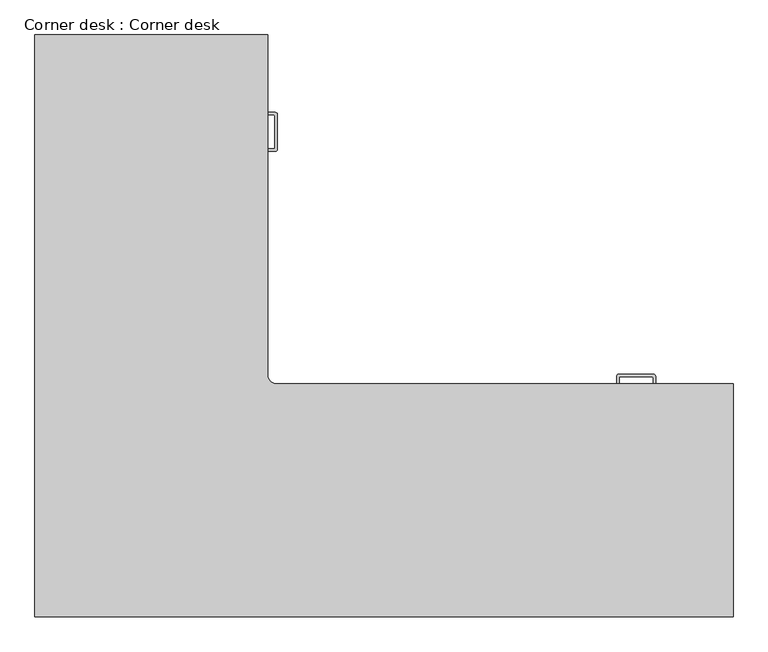
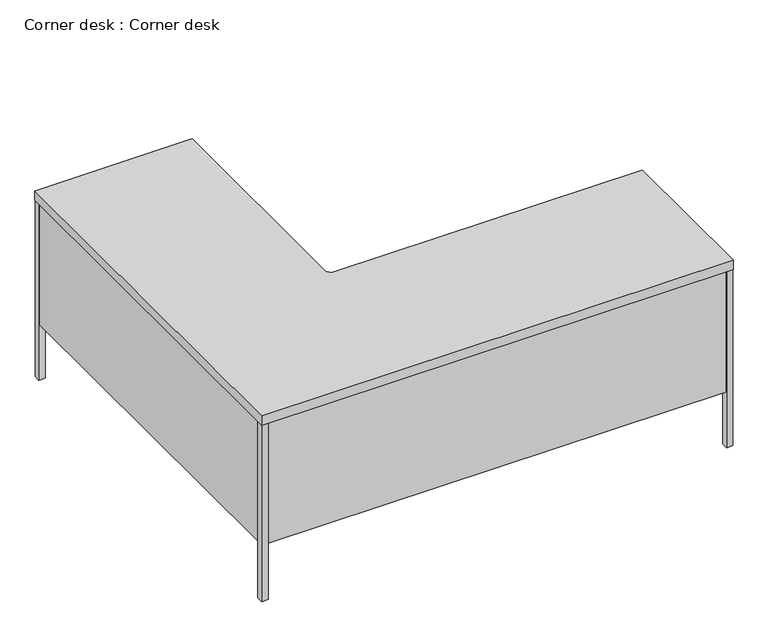
"""IFC4 building model written with IfcOpenShell, lengths in millimetres: furniture geometry, Corner desk : Corner desk."""

from ifc_helpers import new_model, si_unit, frame, origin, place, context, project, spatial, polyline, circle_curve, source, transform, mapped, element, save
from ifc_brep_helpers import plane_surface, cylinder_surface, revolved_surface, advanced_brep


def corner_desk_corner_desk_ba78bb85(model_context):
    return source(origin(), model_context, "Body", "AdvancedBrep", [
        advanced_brep(
        [(611.4771568, 617.9413021, 724.0806959), (611.4771568, 617.9413021, 762.1806959), (629.437669, 610.5018143, 762.1806959), (629.437669, 610.5018143, 724.0806959), (622.3437202, 1314.6078655, 592.0006959), (622.3437202, 1314.6078655, 602.1606959), (620.547669, 1315.3518143, 602.1606959), (620.547669, 1315.3518143, 592.0006959), (622.3437202, 1227.1957631, 592.0006959), (622.3437202, 1227.1957631, 602.1606959), (623.087669, 1228.9918143, 602.1606959), (623.087669, 1228.9918143, 592.0006959), (627.9497714, 1320.2139168, 602.1606959), (627.9497714, 1320.2139168, 592.0006959), (624.357669, 1321.7018143, 592.0006959), (624.357669, 1321.7018143, 602.1606959), (627.9497714, 1221.5897119, 592.0006959), (627.9497714, 1221.5897119, 602.1606959), (624.357669, 1220.1018143, 602.1606959), (624.357669, 1220.1018143, 592.0006959), (622.3437202, 1314.6078655, 350.7006959), (622.3437202, 1314.6078655, 360.8606959), (620.547669, 1315.3518143, 360.8606959), (620.547669, 1315.3518143, 350.7006959), (622.3437202, 1227.1957631, 350.7006959), (622.3437202, 1227.1957631, 360.8606959), (623.087669, 1228.9918143, 360.8606959), (623.087669, 1228.9918143, 350.7006959), (627.9497714, 1320.2139168, 360.8606959), (627.9497714, 1320.2139168, 350.7006959), (624.357669, 1321.7018143, 350.7006959), (624.357669, 1321.7018143, 360.8606959), (627.9497714, 1221.5897119, 350.7006959), (627.9497714, 1221.5897119, 360.8606959), (624.357669, 1220.1018143, 360.8606959), (624.357669, 1220.1018143, 350.7006959), (1612.9437202, 628.8078655, 350.7006959), (1612.9437202, 628.8078655, 360.8606959), (1611.147669, 629.5518143, 360.8606959), (1611.147669, 629.5518143, 350.7006959), (1525.5316178, 628.8078655, 350.7006959), (1525.5316178, 628.8078655, 360.8606959), (1524.787669, 627.0118143, 360.8606959), (1524.787669, 627.0118143, 350.7006959), (1519.9255665, 634.4139168, 360.8606959), (1519.9255665, 634.4139168, 350.7006959), (1518.437669, 630.8218143, 350.7006959), (1518.437669, 630.8218143, 360.8606959), (1618.5497714, 634.4139168, 350.7006959), (1618.5497714, 634.4139168, 360.8606959), (1620.037669, 630.8218143, 360.8606959), (1620.037669, 630.8218143, 350.7006959), (1612.9437202, 628.8078655, 592.0006959), (1612.9437202, 628.8078655, 602.1606959), (1611.147669, 629.5518143, 602.1606959), (1611.147669, 629.5518143, 592.0006959), (1525.5316178, 628.8078655, 592.0006959), (1525.5316178, 628.8078655, 602.1606959), (1524.787669, 627.0118143, 602.1606959), (1524.787669, 627.0118143, 592.0006959), (1519.9255665, 634.4139168, 602.1606959), (1519.9255665, 634.4139168, 592.0006959), (1518.437669, 630.8218143, 592.0006959), (1518.437669, 630.8218143, 602.1606959), (1618.5497714, 634.4139168, 592.0006959), (1618.5497714, 634.4139168, 602.1606959), (1620.037669, 630.8218143, 602.1606959), (1620.037669, 630.8218143, 592.0006959), (578.637669, 1524.6478143, 0.1806959), (603.783669, 1524.6478143, 0.1806959), (603.783669, 1499.5018143, 0.1806959), (578.637669, 1499.5018143, 0.1806959), (-5.308331, 1499.5018143, 0.1806959), (-5.308331, 1524.6478143, 0.1806959), (19.837669, 1524.6478143, 0.1806959), (19.837669, 1499.5018143, 0.1806959), (19.837669, 1.1558143, 0.1806959), (-5.308331, 1.1558143, 0.1806959), (-5.308331, 26.3018143, 0.1806959), (19.837669, 26.3018143, 0.1806959), (1822.983669, 1.1558143, 0.1806959), (1797.837669, 1.1558143, 0.1806959), (1797.837669, 26.3018143, 0.1806959), (1822.983669, 26.3018143, 0.1806959), (1797.837669, 585.1018143, 0.1806959), (1797.837669, 610.2478143, 0.1806959), (1822.983669, 610.2478143, 0.1806959), (1822.983669, 585.1018143, 0.1806959), (1822.983669, 610.2478143, 724.0806959), (1822.983669, 585.1018143, 724.0806959), (1797.837669, 610.2478143, 724.0806959), (1797.837669, 26.3018143, 228.7806959), (1820.697669, 26.3018143, 228.7806959), (1820.697669, 26.3018143, 724.0806959), (1822.983669, 26.3018143, 724.0806959), (1797.837669, 1.1558143, 724.0806959), (1797.837669, 3.4418143, 724.0806959), (1797.837669, 3.4418143, 228.7806959), (-5.308331, 26.3018143, 724.0806959), (-3.022331, 26.3018143, 724.0806959), (-3.022331, 26.3018143, 228.7806959), (-0.482331, 26.3018143, 228.7806959), (-0.482331, 26.3018143, 724.0806959), (19.837669, 26.3018143, 724.0806959), (-5.308331, 1.1558143, 724.0806959), (19.837669, 1524.6478143, 724.0806959), (19.837669, 1522.3618143, 724.0806959), (19.837669, 1522.3618143, 228.7806959), (19.837669, 1499.5018143, 228.7806959), (-5.308331, 1524.6478143, 724.0806959), (603.783669, 1499.5018143, 724.0806959), (601.497669, 1499.5018143, 724.0806959), (601.497669, 1499.5018143, 228.7806959), (578.637669, 1499.5018143, 228.7806959), (603.783669, 1524.6478143, 724.0806959), (1614.957669, 635.9018143, 592.0006959), (1614.957669, 635.9018143, 602.1606959), (1620.037669, 610.5018143, 602.1606959), (1620.037669, 610.5018143, 592.0006959), (1523.517669, 635.9018143, 602.1606959), (1518.437669, 610.5018143, 602.1606959), (1524.787669, 610.5018143, 602.1606959), (1527.327669, 629.5518143, 602.1606959), (1613.687669, 627.0118143, 602.1606959), (1613.687669, 610.5018143, 602.1606959), (1523.517669, 635.9018143, 592.0006959), (1518.437669, 610.5018143, 592.0006959), (1613.687669, 610.5018143, 592.0006959), (1613.687669, 627.0118143, 592.0006959), (1527.327669, 629.5518143, 592.0006959), (1524.787669, 610.5018143, 592.0006959), (1614.957669, 635.9018143, 350.7006959), (1614.957669, 635.9018143, 360.8606959), (1620.037669, 610.5018143, 360.8606959), (1620.037669, 610.5018143, 350.7006959), (1523.517669, 635.9018143, 360.8606959), (1518.437669, 610.5018143, 360.8606959), (1524.787669, 610.5018143, 360.8606959), (1527.327669, 629.5518143, 360.8606959), (1613.687669, 627.0118143, 360.8606959), (1613.687669, 610.5018143, 360.8606959), (1523.517669, 635.9018143, 350.7006959), (1518.437669, 610.5018143, 350.7006959), (1613.687669, 610.5018143, 350.7006959), (1613.687669, 627.0118143, 350.7006959), (1527.327669, 629.5518143, 350.7006959), (1524.787669, 610.5018143, 350.7006959), (629.437669, 1225.1818143, 350.7006959), (629.437669, 1225.1818143, 360.8606959), (604.037669, 1220.1018143, 360.8606959), (604.037669, 1220.1018143, 350.7006959), (629.437669, 1316.6218143, 360.8606959), (604.037669, 1321.7018143, 360.8606959), (604.037669, 1315.3518143, 360.8606959), (623.087669, 1312.8118143, 360.8606959), (620.547669, 1226.4518143, 360.8606959), (604.037669, 1226.4518143, 360.8606959), (629.437669, 1316.6218143, 350.7006959), (604.037669, 1321.7018143, 350.7006959), (604.037669, 1226.4518143, 350.7006959), (620.547669, 1226.4518143, 350.7006959), (623.087669, 1312.8118143, 350.7006959), (604.037669, 1315.3518143, 350.7006959), (629.437669, 1225.1818143, 592.0006959), (629.437669, 1225.1818143, 602.1606959), (604.037669, 1220.1018143, 602.1606959), (604.037669, 1220.1018143, 592.0006959), (629.437669, 1316.6218143, 602.1606959), (604.037669, 1321.7018143, 602.1606959), (604.037669, 1315.3518143, 602.1606959), (623.087669, 1312.8118143, 602.1606959), (620.547669, 1226.4518143, 602.1606959), (604.037669, 1226.4518143, 602.1606959), (629.437669, 1316.6218143, 592.0006959), (604.037669, 1321.7018143, 592.0006959), (604.037669, 1226.4518143, 592.0006959), (620.547669, 1226.4518143, 592.0006959), (623.087669, 1312.8118143, 592.0006959), (604.037669, 1315.3518143, 592.0006959), (604.037669, 1055.0018143, 482.7806959), (604.037669, 1055.0018143, 711.3806959), (601.497669, 1055.0018143, 711.3806959), (601.497669, 1055.0018143, 482.7806959), (604.037669, 1486.8018143, 482.7806959), (601.497669, 1486.8018143, 482.7806959), (604.037669, 1486.8018143, 711.3806959), (601.497669, 1486.8018143, 711.3806959), (604.037669, 1486.8018143, 470.0806959), (604.037669, 1486.8018143, 241.4806959), (601.497669, 1486.8018143, 241.4806959), (601.497669, 1486.8018143, 470.0806959), (604.037669, 1055.0018143, 470.0806959), (601.497669, 1055.0018143, 470.0806959), (604.037669, 1055.0018143, 241.4806959), (601.497669, 1055.0018143, 241.4806959), (1785.137669, 610.5018143, 482.7806959), (1785.137669, 610.5018143, 711.3806959), (1785.137669, 607.9618143, 711.3806959), (1785.137669, 607.9618143, 482.7806959), (1353.337669, 610.5018143, 482.7806959), (1353.337669, 607.9618143, 482.7806959), (1353.337669, 610.5018143, 711.3806959), (1353.337669, 607.9618143, 711.3806959), (1353.337669, 610.5018143, 470.0806959), (1353.337669, 610.5018143, 241.4806959), (1353.337669, 607.9618143, 241.4806959), (1353.337669, 607.9618143, 470.0806959), (1785.137669, 610.5018143, 470.0806959), (1785.137669, 607.9618143, 470.0806959), (1785.137669, 610.5018143, 241.4806959), (1785.137669, 607.9618143, 241.4806959), (604.037669, 635.9018143, 724.0806959), (604.037669, 635.9018143, 762.1806959), (1823.237669, 610.5018143, 762.1806959), (1823.237669, 610.5018143, 724.0806959), (578.637669, 1522.3618143, 724.0806959), (578.637669, 1522.3618143, 228.7806959), (-3.022331, 1499.5018143, 228.7806959), (-3.022331, 1499.5018143, 724.0806959), (19.837669, 3.4418143, 724.0806959), (19.837669, 3.4418143, 228.7806959), (1820.697669, 585.1018143, 724.0806959), (1820.697669, 585.1018143, 228.7806959), (604.037669, 1524.9018143, 724.0806959), (604.037669, 1524.9018143, 762.1806959), (1340.637669, 5.9818143, 228.7806959), (19.837669, 5.9818143, 228.7806959), (19.837669, 5.9818143, 724.0806959), (1340.637669, 5.9818143, 724.0806959), (-5.562331, 1524.9018143, 724.0806959), (-5.562331, 1524.9018143, 762.1806959), (1797.837669, 585.1018143, 228.7806959), (1797.837669, 607.9618143, 228.7806959), (1797.837669, 607.9618143, 724.0806959), (-5.562331, 0.9018143, 724.0806959), (-5.562331, 0.9018143, 762.1806959), (1823.237669, 0.9018143, 724.0806959), (1823.237669, 0.9018143, 762.1806959), (1340.637669, 607.9618143, 228.7806959), (578.637669, 1524.6478143, 724.0806959), (-5.308331, 1499.5018143, 724.0806959), (19.837669, 1.1558143, 724.0806959), (1822.983669, 1.1558143, 724.0806959), (1340.637669, 607.9618143, 724.0806959), (-0.482331, 1042.3018143, 724.0806959), (601.497669, 1042.3018143, 724.0806959), (-0.482331, 1042.3018143, 228.7806959), (601.497669, 1042.3018143, 228.7806959)],
        [
            (0, 1),
            (1, 2, circle_curve(frame((629.437669, 635.9018143, 762.1806959), z_axis=(0.0, 0.0, 1.0), x_axis=(-0.7071067811865465, -0.7071067811865486, 0.0)), 25.4)),
            (2, 3),
            (3, 0, circle_curve(frame((629.437669, 635.9018143, 724.0806959), z_axis=(0.0, 0.0, -1.0), x_axis=(-0.7071067811865465, -0.7071067811865486, 0.0)), 25.4)),
            (4, 5),
            (5, 6, circle_curve(frame((620.547669, 1312.8118143, 602.1606959), z_axis=(0.0, 0.0, 1.0), x_axis=(0.7071067811865079, 0.707106781186587, 0.0)), 2.54)),
            (6, 7),
            (7, 4, circle_curve(frame((620.547669, 1312.8118143, 592.0006959), z_axis=(0.0, 0.0, -1.0), x_axis=(0.7071067811865079, 0.707106781186587, 0.0)), 2.54)),
            (8, 9),
            (9, 10, circle_curve(frame((620.547669, 1228.9918143, 602.1606959), z_axis=(0.0, 0.0, 1.0), x_axis=(0.7071067811865079, -0.707106781186587, 0.0)), 2.54)),
            (10, 11),
            (11, 8, circle_curve(frame((620.547669, 1228.9918143, 592.0006959), z_axis=(0.0, 0.0, -1.0), x_axis=(0.7071067811865079, -0.707106781186587, 0.0)), 2.54)),
            (12, 13),
            (13, 14, circle_curve(frame((624.357669, 1316.6218143, 592.0006959), z_axis=(0.0, 0.0, 1.0), x_axis=(0.7071067811865178, 0.7071067811865772, 0.0)), 5.08)),
            (14, 15),
            (15, 12, circle_curve(frame((624.357669, 1316.6218143, 602.1606959), z_axis=(0.0, 0.0, -1.0), x_axis=(0.7071067811865178, 0.7071067811865772, 0.0)), 5.08)),
            (16, 17),
            (17, 18, circle_curve(frame((624.357669, 1225.1818143, 602.1606959), z_axis=(0.0, 0.0, -1.0), x_axis=(0.7071067811865375, -0.7071067811865573, 0.0)), 5.08)),
            (18, 19),
            (19, 16, circle_curve(frame((624.357669, 1225.1818143, 592.0006959), z_axis=(0.0, 0.0, 1.0), x_axis=(0.7071067811865375, -0.7071067811865573, 0.0)), 5.08)),
            (20, 21),
            (21, 22, circle_curve(frame((620.547669, 1312.8118143, 360.8606959), z_axis=(0.0, 0.0, 1.0), x_axis=(0.7071067811865079, 0.707106781186587, 0.0)), 2.54)),
            (22, 23),
            (23, 20, circle_curve(frame((620.547669, 1312.8118143, 350.7006959), z_axis=(0.0, 0.0, -1.0), x_axis=(0.7071067811865079, 0.707106781186587, 0.0)), 2.54)),
            (24, 25),
            (25, 26, circle_curve(frame((620.547669, 1228.9918143, 360.8606959), z_axis=(0.0, 0.0, 1.0), x_axis=(0.7071067811865079, -0.707106781186587, 0.0)), 2.54)),
            (26, 27),
            (27, 24, circle_curve(frame((620.547669, 1228.9918143, 350.7006959), z_axis=(0.0, 0.0, -1.0), x_axis=(0.7071067811865079, -0.707106781186587, 0.0)), 2.54)),
            (28, 29),
            (29, 30, circle_curve(frame((624.357669, 1316.6218143, 350.7006959), z_axis=(0.0, 0.0, 1.0), x_axis=(0.7071067811865178, 0.7071067811865772, 0.0)), 5.08)),
            (30, 31),
            (31, 28, circle_curve(frame((624.357669, 1316.6218143, 360.8606959), z_axis=(0.0, 0.0, -1.0), x_axis=(0.7071067811865178, 0.7071067811865772, 0.0)), 5.08)),
            (32, 33),
            (33, 34, circle_curve(frame((624.357669, 1225.1818143, 360.8606959), z_axis=(0.0, 0.0, -1.0), x_axis=(0.7071067811865375, -0.7071067811865573, 0.0)), 5.08)),
            (34, 35),
            (35, 32, circle_curve(frame((624.357669, 1225.1818143, 350.7006959), z_axis=(0.0, 0.0, 1.0), x_axis=(0.7071067811865375, -0.7071067811865573, 0.0)), 5.08)),
            (36, 37),
            (37, 38, circle_curve(frame((1611.147669, 627.0118143, 360.8606959), z_axis=(0.0, 0.0, 1.0), x_axis=(0.7071067811864881, 0.7071067811866067, 0.0)), 2.54)),
            (38, 39),
            (39, 36, circle_curve(frame((1611.147669, 627.0118143, 350.7006959), z_axis=(0.0, 0.0, -1.0), x_axis=(0.7071067811864881, 0.7071067811866067, 0.0)), 2.54)),
            (40, 41),
            (41, 42, circle_curve(frame((1527.327669, 627.0118143, 360.8606959), z_axis=(0.0, 0.0, 1.0), x_axis=(-0.7071067811865672, 0.7071067811865278, 0.0)), 2.54)),
            (42, 43),
            (43, 40, circle_curve(frame((1527.327669, 627.0118143, 350.7006959), z_axis=(0.0, 0.0, -1.0), x_axis=(-0.7071067811865672, 0.7071067811865278, 0.0)), 2.54)),
            (44, 45),
            (45, 46, circle_curve(frame((1523.517669, 630.8218143, 350.7006959), z_axis=(0.0, 0.0, 1.0), x_axis=(-0.7071067811865475, 0.7071067811865475, 0.0)), 5.08)),
            (46, 47),
            (47, 44, circle_curve(frame((1523.517669, 630.8218143, 360.8606959), z_axis=(0.0, 0.0, -1.0), x_axis=(-0.7071067811865475, 0.7071067811865475, 0.0)), 5.08)),
            (48, 49),
            (49, 50, circle_curve(frame((1614.957669, 630.8218143, 360.8606959), z_axis=(0.0, 0.0, -1.0), x_axis=(0.7071067811865278, 0.7071067811865672, 0.0)), 5.08)),
            (50, 51),
            (51, 48, circle_curve(frame((1614.957669, 630.8218143, 350.7006959), z_axis=(0.0, 0.0, 1.0), x_axis=(0.7071067811865278, 0.7071067811865672, 0.0)), 5.08)),
            (52, 53),
            (53, 54, circle_curve(frame((1611.147669, 627.0118143, 602.1606959), z_axis=(0.0, 0.0, 1.0), x_axis=(0.7071067811865079, 0.7071067811865871, 0.0)), 2.54)),
            (54, 55),
            (55, 52, circle_curve(frame((1611.147669, 627.0118143, 592.0006959), z_axis=(0.0, 0.0, -1.0), x_axis=(0.7071067811865079, 0.7071067811865871, 0.0)), 2.54)),
            (56, 57),
            (57, 58, circle_curve(frame((1527.327669, 627.0118143, 602.1606959), z_axis=(0.0, 0.0, 1.0), x_axis=(-0.707106781186587, 0.7071067811865079, 0.0)), 2.54)),
            (58, 59),
            (59, 56, circle_curve(frame((1527.327669, 627.0118143, 592.0006959), z_axis=(0.0, 0.0, -1.0), x_axis=(-0.707106781186587, 0.7071067811865079, 0.0)), 2.54)),
            (60, 61),
            (61, 62, circle_curve(frame((1523.517669, 630.8218143, 592.0006959), z_axis=(0.0, 0.0, 1.0), x_axis=(-0.7071067811865573, 0.7071067811865375, 0.0)), 5.08)),
            (62, 63),
            (63, 60, circle_curve(frame((1523.517669, 630.8218143, 602.1606959), z_axis=(0.0, 0.0, -1.0), x_axis=(-0.7071067811865573, 0.7071067811865375, 0.0)), 5.08)),
            (64, 65),
            (65, 66, circle_curve(frame((1614.957669, 630.8218143, 602.1606959), z_axis=(0.0, 0.0, -1.0), x_axis=(0.7071067811865375, 0.7071067811865573, 0.0)), 5.08)),
            (66, 67),
            (67, 64, circle_curve(frame((1614.957669, 630.8218143, 592.0006959), z_axis=(0.0, 0.0, 1.0), x_axis=(0.7071067811865375, 0.7071067811865573, 0.0)), 5.08)),
            (68, 69),
            (69, 70),
            (70, 71),
            (71, 68),
            (72, 73),
            (73, 74),
            (74, 75),
            (75, 72),
            (76, 77),
            (77, 78),
            (78, 79),
            (79, 76),
            (80, 81),
            (81, 82),
            (82, 83),
            (83, 80),
            (84, 85),
            (85, 86),
            (86, 87),
            (87, 84),
            (86, 88),
            (88, 89),
            (89, 87),
            (85, 90),
            (90, 88),
            (82, 91),
            (91, 92),
            (92, 93),
            (93, 94),
            (94, 83),
            (81, 95),
            (95, 96),
            (96, 97),
            (97, 91),
            (78, 98),
            (98, 99),
            (99, 100),
            (100, 101),
            (101, 102),
            (102, 103),
            (103, 79),
            (77, 104),
            (104, 98),
            (74, 105),
            (105, 106),
            (106, 107),
            (107, 108),
            (108, 75),
            (73, 109),
            (109, 105),
            (70, 110),
            (110, 111),
            (111, 112),
            (112, 113),
            (113, 71),
            (69, 114),
            (114, 110),
            (64, 115, circle_curve(frame((1614.957669, 630.8218143, 592.0006959), z_axis=(0.0, 0.0, 1.0), x_axis=(0.7071067811865375, 0.7071067811865573, 0.0)), 5.08)),
            (115, 116),
            (116, 65, circle_curve(frame((1614.957669, 630.8218143, 602.1606959), z_axis=(0.0, 0.0, -1.0), x_axis=(0.7071067811865375, 0.7071067811865573, 0.0)), 5.08)),
            (66, 117),
            (117, 118),
            (118, 67),
            (116, 119),
            (119, 60, circle_curve(frame((1523.517669, 630.8218143, 602.1606959), z_axis=(0.0, 0.0, 1.0), x_axis=(-0.7071067811865573, 0.7071067811865375, 0.0)), 5.08)),
            (63, 120),
            (120, 121),
            (121, 58),
            (57, 122, circle_curve(frame((1527.327669, 627.0118143, 602.1606959), z_axis=(0.0, 0.0, -1.0), x_axis=(-0.707106781186587, 0.7071067811865079, 0.0)), 2.54)),
            (122, 54),
            (53, 123, circle_curve(frame((1611.147669, 627.0118143, 602.1606959), z_axis=(0.0, 0.0, -1.0), x_axis=(0.7071067811865079, 0.7071067811865871, 0.0)), 2.54)),
            (123, 124),
            (124, 117),
            (119, 125),
            (125, 61, circle_curve(frame((1523.517669, 630.8218143, 592.0006959), z_axis=(0.0, 0.0, 1.0), x_axis=(-0.7071067811865573, 0.7071067811865375, 0.0)), 5.08)),
            (62, 126),
            (126, 120),
            (118, 127),
            (127, 128),
            (128, 52, circle_curve(frame((1611.147669, 627.0118143, 592.0006959), z_axis=(0.0, 0.0, 1.0), x_axis=(0.7071067811865079, 0.7071067811865871, 0.0)), 2.54)),
            (55, 129),
            (129, 56, circle_curve(frame((1527.327669, 627.0118143, 592.0006959), z_axis=(0.0, 0.0, 1.0), x_axis=(-0.707106781186587, 0.7071067811865079, 0.0)), 2.54)),
            (59, 130),
            (130, 126),
            (125, 115),
            (129, 122),
            (121, 130),
            (128, 123),
            (127, 124),
            (48, 131, circle_curve(frame((1614.957669, 630.8218143, 350.7006959), z_axis=(0.0, 0.0, 1.0), x_axis=(0.7071067811865278, 0.7071067811865672, 0.0)), 5.08)),
            (131, 132),
            (132, 49, circle_curve(frame((1614.957669, 630.8218143, 360.8606959), z_axis=(0.0, 0.0, -1.0), x_axis=(0.7071067811865278, 0.7071067811865672, 0.0)), 5.08)),
            (50, 133),
            (133, 134),
            (134, 51),
            (132, 135),
            (135, 44, circle_curve(frame((1523.517669, 630.8218143, 360.8606959), z_axis=(0.0, 0.0, 1.0), x_axis=(-0.7071067811865475, 0.7071067811865475, 0.0)), 5.08)),
            (47, 136),
            (136, 137),
            (137, 42),
            (41, 138, circle_curve(frame((1527.327669, 627.0118143, 360.8606959), z_axis=(0.0, 0.0, -1.0), x_axis=(-0.7071067811865672, 0.7071067811865278, 0.0)), 2.54)),
            (138, 38),
            (37, 139, circle_curve(frame((1611.147669, 627.0118143, 360.8606959), z_axis=(0.0, 0.0, -1.0), x_axis=(0.7071067811864881, 0.7071067811866067, 0.0)), 2.54)),
            (139, 140),
            (140, 133),
            (135, 141),
            (141, 45, circle_curve(frame((1523.517669, 630.8218143, 350.7006959), z_axis=(0.0, 0.0, 1.0), x_axis=(-0.7071067811865475, 0.7071067811865475, 0.0)), 5.08)),
            (46, 142),
            (142, 136),
            (134, 143),
            (143, 144),
            (144, 36, circle_curve(frame((1611.147669, 627.0118143, 350.7006959), z_axis=(0.0, 0.0, 1.0), x_axis=(0.7071067811864881, 0.7071067811866067, 0.0)), 2.54)),
            (39, 145),
            (145, 40, circle_curve(frame((1527.327669, 627.0118143, 350.7006959), z_axis=(0.0, 0.0, 1.0), x_axis=(-0.7071067811865672, 0.7071067811865278, 0.0)), 2.54)),
            (43, 146),
            (146, 142),
            (141, 131),
            (145, 138),
            (137, 146),
            (144, 139),
            (143, 140),
            (32, 147, circle_curve(frame((624.357669, 1225.1818143, 350.7006959), z_axis=(0.0, 0.0, 1.0), x_axis=(0.7071067811865375, -0.7071067811865573, 0.0)), 5.08)),
            (147, 148),
            (148, 33, circle_curve(frame((624.357669, 1225.1818143, 360.8606959), z_axis=(0.0, 0.0, -1.0), x_axis=(0.7071067811865375, -0.7071067811865573, 0.0)), 5.08)),
            (34, 149),
            (149, 150),
            (150, 35),
            (148, 151),
            (151, 28, circle_curve(frame((624.357669, 1316.6218143, 360.8606959), z_axis=(0.0, 0.0, 1.0), x_axis=(0.7071067811865178, 0.7071067811865772, 0.0)), 5.08)),
            (31, 152),
            (152, 153),
            (153, 22),
            (21, 154, circle_curve(frame((620.547669, 1312.8118143, 360.8606959), z_axis=(0.0, 0.0, -1.0), x_axis=(0.7071067811865079, 0.707106781186587, 0.0)), 2.54)),
            (154, 26),
            (25, 155, circle_curve(frame((620.547669, 1228.9918143, 360.8606959), z_axis=(0.0, 0.0, -1.0), x_axis=(0.7071067811865079, -0.707106781186587, 0.0)), 2.54)),
            (155, 156),
            (156, 149),
            (151, 157),
            (157, 29, circle_curve(frame((624.357669, 1316.6218143, 350.7006959), z_axis=(0.0, 0.0, 1.0), x_axis=(0.7071067811865178, 0.7071067811865772, 0.0)), 5.08)),
            (30, 158),
            (158, 152),
            (150, 159),
            (159, 160),
            (160, 24, circle_curve(frame((620.547669, 1228.9918143, 350.7006959), z_axis=(0.0, 0.0, 1.0), x_axis=(0.7071067811865079, -0.707106781186587, 0.0)), 2.54)),
            (27, 161),
            (161, 20, circle_curve(frame((620.547669, 1312.8118143, 350.7006959), z_axis=(0.0, 0.0, 1.0), x_axis=(0.7071067811865079, 0.707106781186587, 0.0)), 2.54)),
            (23, 162),
            (162, 158),
            (157, 147),
            (160, 155),
            (154, 161),
            (153, 162),
            (159, 156),
            (16, 163, circle_curve(frame((624.357669, 1225.1818143, 592.0006959), z_axis=(0.0, 0.0, 1.0), x_axis=(0.7071067811865375, -0.7071067811865573, 0.0)), 5.08)),
            (163, 164),
            (164, 17, circle_curve(frame((624.357669, 1225.1818143, 602.1606959), z_axis=(0.0, 0.0, -1.0), x_axis=(0.7071067811865375, -0.7071067811865573, 0.0)), 5.08)),
            (18, 165),
            (165, 166),
            (166, 19),
            (164, 167),
            (167, 12, circle_curve(frame((624.357669, 1316.6218143, 602.1606959), z_axis=(0.0, 0.0, 1.0), x_axis=(0.7071067811865178, 0.7071067811865772, 0.0)), 5.08)),
            (15, 168),
            (168, 169),
            (169, 6),
            (5, 170, circle_curve(frame((620.547669, 1312.8118143, 602.1606959), z_axis=(0.0, 0.0, -1.0), x_axis=(0.7071067811865079, 0.707106781186587, 0.0)), 2.54)),
            (170, 10),
            (9, 171, circle_curve(frame((620.547669, 1228.9918143, 602.1606959), z_axis=(0.0, 0.0, -1.0), x_axis=(0.7071067811865079, -0.707106781186587, 0.0)), 2.54)),
            (171, 172),
            (172, 165),
            (167, 173),
            (173, 13, circle_curve(frame((624.357669, 1316.6218143, 592.0006959), z_axis=(0.0, 0.0, 1.0), x_axis=(0.7071067811865178, 0.7071067811865772, 0.0)), 5.08)),
            (14, 174),
            (174, 168),
            (166, 175),
            (175, 176),
            (176, 8, circle_curve(frame((620.547669, 1228.9918143, 592.0006959), z_axis=(0.0, 0.0, 1.0), x_axis=(0.7071067811865079, -0.707106781186587, 0.0)), 2.54)),
            (11, 177),
            (177, 4, circle_curve(frame((620.547669, 1312.8118143, 592.0006959), z_axis=(0.0, 0.0, 1.0), x_axis=(0.7071067811865079, 0.707106781186587, 0.0)), 2.54)),
            (7, 178),
            (178, 174),
            (173, 163),
            (176, 171),
            (170, 177),
            (169, 178),
            (175, 172),
            (179, 180),
            (180, 181),
            (181, 182),
            (182, 179),
            (183, 179),
            (182, 184),
            (184, 183),
            (185, 183),
            (184, 186),
            (186, 185),
            (180, 185),
            (186, 181),
            (187, 188),
            (188, 189),
            (189, 190),
            (190, 187),
            (191, 187),
            (190, 192),
            (192, 191),
            (193, 191),
            (192, 194),
            (194, 193),
            (188, 193),
            (194, 189),
            (195, 196),
            (196, 197),
            (197, 198),
            (198, 195),
            (199, 195),
            (198, 200),
            (200, 199),
            (201, 199),
            (200, 202),
            (202, 201),
            (196, 201),
            (202, 197),
            (203, 204),
            (204, 205),
            (205, 206),
            (206, 203),
            (207, 203),
            (206, 208),
            (208, 207),
            (209, 207),
            (208, 210),
            (210, 209),
            (204, 209),
            (210, 205),
            (0, 211, circle_curve(frame((629.437669, 635.9018143, 724.0806959), z_axis=(0.0, 0.0, -1.0), x_axis=(-0.7071067811865465, -0.7071067811865486, 0.0)), 25.4)),
            (211, 212),
            (212, 1, circle_curve(frame((629.437669, 635.9018143, 762.1806959), z_axis=(0.0, 0.0, 1.0), x_axis=(-0.7071067811865465, -0.7071067811865486, 0.0)), 25.4)),
            (2, 213),
            (213, 214),
            (214, 3),
            (215, 216),
            (216, 107),
            (106, 215),
            (217, 100),
            (99, 218),
            (218, 217),
            (219, 220),
            (220, 97),
            (96, 219),
            (221, 93),
            (92, 222),
            (222, 221),
            (211, 223),
            (223, 224),
            (224, 212),
            (225, 226),
            (226, 227),
            (227, 228),
            (228, 225),
            (223, 229),
            (229, 230),
            (230, 224),
            (84, 231),
            (231, 232),
            (232, 233),
            (233, 90),
            (229, 234),
            (234, 235),
            (235, 230),
            (234, 236),
            (236, 237),
            (237, 235),
            (89, 221),
            (222, 231),
            (220, 226),
            (225, 238),
            (238, 232),
            (214, 236),
            (114, 239),
            (239, 215),
            (109, 240),
            (240, 218),
            (104, 241),
            (241, 219),
            (95, 242),
            (242, 94),
            (233, 243),
            (243, 228),
            (227, 103),
            (102, 244),
            (244, 245),
            (245, 111),
            (101, 246),
            (246, 244),
            (238, 243),
            (245, 247),
            (247, 112),
            (246, 247),
            (216, 113),
            (217, 108),
            (213, 237),
            (80, 242),
            (76, 241),
            (72, 240),
            (68, 239),
        ],
        [
            revolved_surface(polyline([(611.4771567578617, 617.9413020578617, 724.0806959), (611.4771567578617, 617.9413020578617, 762.1806959)]), (629.437669, 635.9018143, 762.1806959), (0.0, 0.0, -1.0)),
            revolved_surface(polyline([(622.3437202242138, 1314.6078655242138, 592.0006959), (622.3437202242138, 1314.6078655242138, 602.1606959)]), (620.547669, 1312.8118143, 602.1606959), (0.0, 0.0, -1.0)),
            revolved_surface(polyline([(622.3437202242138, 1227.195763075786, 592.0006959), (622.3437202242138, 1227.195763075786, 602.1606959)]), (620.547669, 1228.9918143, 602.1606959), (0.0, 0.0, -1.0)),
            cylinder_surface(frame((624.357669, 1316.6218143, 594.5406959), z_axis=(0.0, 0.0, 1.0), x_axis=(0.7071067811865178, 0.7071067811865772, 0.0)), 5.08),
            cylinder_surface(frame((624.357669, 1225.1818143, 599.6206959), z_axis=(0.0, 0.0, -1.0), x_axis=(0.7071067811865375, -0.7071067811865573, 0.0)), 5.08),
            revolved_surface(polyline([(622.3437202242138, 1314.6078655242138, 350.7006959), (622.3437202242138, 1314.6078655242138, 360.8606959)]), (620.547669, 1312.8118143, 360.8606959), (0.0, 0.0, -1.0)),
            revolved_surface(polyline([(622.3437202242138, 1227.195763075786, 350.7006959), (622.3437202242138, 1227.195763075786, 360.8606959)]), (620.547669, 1228.9918143, 360.8606959), (0.0, 0.0, -1.0)),
            cylinder_surface(frame((624.357669, 1316.6218143, 353.2406959), z_axis=(0.0, 0.0, 1.0), x_axis=(0.7071067811865178, 0.7071067811865772, 0.0)), 5.08),
            cylinder_surface(frame((624.357669, 1225.1818143, 358.3206959), z_axis=(0.0, 0.0, -1.0), x_axis=(0.7071067811865375, -0.7071067811865573, 0.0)), 5.08),
            revolved_surface(polyline([(1612.9437202242136, 628.807865524214, 350.7006959), (1612.9437202242136, 628.807865524214, 360.8606959)]), (1611.147669, 627.0118143, 360.8606959), (0.0, 0.0, -1.0)),
            revolved_surface(polyline([(1525.5316177757861, 628.8078655242138, 350.7006959), (1525.5316177757861, 628.8078655242138, 360.8606959)]), (1527.327669, 627.0118143, 360.8606959), (0.0, 0.0, -1.0)),
            cylinder_surface(frame((1523.517669, 630.8218143, 353.2406959), z_axis=(0.0, 0.0, 1.0), x_axis=(-0.7071067811865475, 0.7071067811865475, 0.0)), 5.08),
            cylinder_surface(frame((1614.957669, 630.8218143, 358.3206959), z_axis=(0.0, 0.0, -1.0), x_axis=(0.7071067811865278, 0.7071067811865672, 0.0)), 5.08),
            revolved_surface(polyline([(1612.9437202242136, 628.8078655242139, 592.0006959), (1612.9437202242136, 628.8078655242139, 602.1606959)]), (1611.147669, 627.0118143, 602.1606959), (0.0, 0.0, -1.0)),
            revolved_surface(polyline([(1525.5316177757861, 628.8078655242138, 592.0006959), (1525.5316177757861, 628.8078655242138, 602.1606959)]), (1527.327669, 627.0118143, 602.1606959), (0.0, 0.0, -1.0)),
            cylinder_surface(frame((1523.517669, 630.8218143, 594.5406959), z_axis=(0.0, 0.0, 1.0), x_axis=(-0.7071067811865573, 0.7071067811865375, 0.0)), 5.08),
            cylinder_surface(frame((1614.957669, 630.8218143, 599.6206959), z_axis=(0.0, 0.0, -1.0), x_axis=(0.7071067811865375, 0.7071067811865573, 0.0)), 5.08),
            plane_surface(frame((1822.983669, 1.1558143, 0.1806959), z_axis=(0.0, 0.0, -1.0), x_axis=(1.0, 0.0, 0.0))),
            plane_surface(frame((1822.983669, 597.8018143, -361.7693041), z_axis=(1.0, 0.0, 0.0), x_axis=(0.0, 0.0, -1.0))),
            plane_surface(frame((1431.6893421, 610.2478143, -598.9637849), z_axis=(0.0, 1.0, 0.0), x_axis=(0.0, 0.0, 1.0))),
            plane_surface(frame((1823.237669, 26.3018143, 0.1806959), z_axis=(0.0, 1.0, 0.0), x_axis=(0.0, 0.0, -1.0))),
            plane_surface(frame((1797.837669, 610.5018143, 0.1806959), z_axis=(-1.0, 0.0, 0.0), x_axis=(0.0, 0.0, -1.0))),
            plane_surface(frame((-5.562331, 26.3018143, -723.7193041), z_axis=(0.0, 1.0, 0.0), x_axis=(0.0, 0.0, -1.0))),
            plane_surface(frame((-5.308331, 13.6018143, -361.7693041), z_axis=(-1.0, 0.0, 0.0), x_axis=(0.0, 0.0, -1.0))),
            plane_surface(frame((19.837669, 984.8018143, -291.5693041), z_axis=(1.0, 0.0, 0.0), x_axis=(0.0, 0.0, -1.0))),
            plane_surface(frame((7.137669, 1524.6478143, -361.7693041), z_axis=(0.0, 1.0, 0.0), x_axis=(0.0, 0.0, 1.0))),
            plane_surface(frame((604.037669, 1499.5018143, -228.4193041), z_axis=(0.0, -1.0, 0.0), x_axis=(0.0, 0.0, 1.0))),
            plane_surface(frame((603.783669, 1512.2018143, -361.7693041), z_axis=(1.0, 0.0, 0.0), x_axis=(0.0, 0.0, -1.0))),
            plane_surface(frame((1620.037669, 610.5018143, 602.1606959), z_axis=(1.0, 0.0, 0.0), x_axis=(0.0, 0.0, 1.0))),
            plane_surface(frame((1518.437669, 610.5018143, 602.1606959), z_axis=(0.0, 0.0, 1.0), x_axis=(-1.0, 0.0, 0.0))),
            plane_surface(frame((1518.437669, 610.5018143, 592.0006959), z_axis=(-1.0, 0.0, 0.0), x_axis=(0.0, 0.0, -1.0))),
            plane_surface(frame((1569.237669, 610.5018143, 592.0006959), z_axis=(0.0, 0.0, -1.0), x_axis=(1.0, 0.0, 0.0))),
            plane_surface(frame((1524.787669, 610.5018143, 602.1606959), z_axis=(1.0, 0.0, 0.0), x_axis=(0.0, 0.0, -1.0))),
            plane_surface(frame((1524.787669, 629.5518143, 602.1606959), z_axis=(0.0, -1.0, 0.0), x_axis=(0.0, 0.0, -1.0))),
            plane_surface(frame((1613.687669, 629.5518143, 602.1606959), z_axis=(-1.0, 0.0, 0.0), x_axis=(0.0, 0.0, 1.0))),
            plane_surface(frame((1569.237669, 635.9018143, 597.0806959), z_axis=(0.0, 1.0, 0.0), x_axis=(0.0, 0.0, -1.0))),
            plane_surface(frame((1620.037669, 610.5018143, 360.8606959), z_axis=(1.0, 0.0, 0.0), x_axis=(0.0, 0.0, 1.0))),
            plane_surface(frame((1518.437669, 610.5018143, 360.8606959), z_axis=(0.0, 0.0, 1.0), x_axis=(-1.0, 0.0, 0.0))),
            plane_surface(frame((1518.437669, 610.5018143, 350.7006959), z_axis=(-1.0, 0.0, 0.0), x_axis=(0.0, 0.0, -1.0))),
            plane_surface(frame((1569.237669, 610.5018143, 350.7006959), z_axis=(0.0, 0.0, -1.0), x_axis=(1.0, 0.0, 0.0))),
            plane_surface(frame((1524.787669, 610.5018143, 360.8606959), z_axis=(1.0, 0.0, 0.0), x_axis=(0.0, 0.0, -1.0))),
            plane_surface(frame((1524.787669, 629.5518143, 360.8606959), z_axis=(0.0, -1.0, 0.0), x_axis=(0.0, 0.0, -1.0))),
            plane_surface(frame((1613.687669, 629.5518143, 360.8606959), z_axis=(-1.0, 0.0, 0.0), x_axis=(0.0, 0.0, 1.0))),
            plane_surface(frame((1569.237669, 635.9018143, 355.7806959), z_axis=(0.0, 1.0, 0.0), x_axis=(0.0, 0.0, -1.0))),
            plane_surface(frame((604.037669, 1220.1018143, 360.8606959), z_axis=(0.0, -1.0, 0.0), x_axis=(0.0, 0.0, 1.0))),
            plane_surface(frame((604.037669, 1321.7018143, 360.8606959), z_axis=(0.0, 0.0, 1.0), x_axis=(-1.0, 0.0, 0.0))),
            plane_surface(frame((604.037669, 1321.7018143, 350.7006959), z_axis=(0.0, 1.0, 0.0), x_axis=(0.0, 0.0, -1.0))),
            plane_surface(frame((604.037669, 1270.9018143, 350.7006959), z_axis=(0.0, 0.0, -1.0), x_axis=(1.0, 0.0, 0.0))),
            plane_surface(frame((623.087669, 1315.3518143, 360.8606959), z_axis=(-1.0, 0.0, 0.0), x_axis=(0.0, 0.0, 1.0))),
            plane_surface(frame((604.037669, 1315.3518143, 360.8606959), z_axis=(0.0, -1.0, 0.0), x_axis=(0.0, 0.0, -1.0))),
            plane_surface(frame((623.087669, 1226.4518143, 360.8606959), z_axis=(0.0, 1.0, 0.0), x_axis=(0.0, 0.0, 1.0))),
            plane_surface(frame((629.437669, 1270.9018143, 355.7806959), z_axis=(1.0, 0.0, 0.0), x_axis=(0.0, 0.0, 1.0))),
            plane_surface(frame((604.037669, 1220.1018143, 602.1606959), z_axis=(0.0, -1.0, 0.0), x_axis=(0.0, 0.0, 1.0))),
            plane_surface(frame((604.037669, 1321.7018143, 602.1606959), z_axis=(0.0, 0.0, 1.0), x_axis=(-1.0, 0.0, 0.0))),
            plane_surface(frame((604.037669, 1321.7018143, 592.0006959), z_axis=(0.0, 1.0, 0.0), x_axis=(0.0, 0.0, -1.0))),
            plane_surface(frame((604.037669, 1270.9018143, 592.0006959), z_axis=(0.0, 0.0, -1.0), x_axis=(1.0, 0.0, 0.0))),
            plane_surface(frame((623.087669, 1315.3518143, 602.1606959), z_axis=(-1.0, 0.0, 0.0), x_axis=(0.0, 0.0, 1.0))),
            plane_surface(frame((604.037669, 1315.3518143, 602.1606959), z_axis=(0.0, -1.0, 0.0), x_axis=(0.0, 0.0, -1.0))),
            plane_surface(frame((623.087669, 1226.4518143, 602.1606959), z_axis=(0.0, 1.0, 0.0), x_axis=(0.0, 0.0, 1.0))),
            plane_surface(frame((629.437669, 1270.9018143, 597.0806959), z_axis=(1.0, 0.0, 0.0), x_axis=(0.0, 0.0, 1.0))),
            plane_surface(frame((601.497669, 1055.0018143, 711.3806959), z_axis=(0.0, -1.0, 0.0), x_axis=(0.0, 0.0, 1.0))),
            plane_surface(frame((601.497669, 1055.0018143, 482.7806959), z_axis=(0.0, 0.0, -1.0), x_axis=(1.0, 0.0, 0.0))),
            plane_surface(frame((601.497669, 1486.8018143, 482.7806959), z_axis=(0.0, 1.0, 0.0), x_axis=(0.0, 0.0, -1.0))),
            plane_surface(frame((601.497669, 1486.8018143, 711.3806959), z_axis=(0.0, 0.0, 1.0), x_axis=(-1.0, 0.0, 0.0))),
            plane_surface(frame((604.037669, 1270.9018143, 597.0806959), z_axis=(1.0, 0.0, 0.0), x_axis=(0.0, 0.0, 1.0))),
            plane_surface(frame((601.497669, 1486.8018143, 241.4806959), z_axis=(0.0, 1.0, 0.0), x_axis=(0.0, 0.0, -1.0))),
            plane_surface(frame((601.497669, 1486.8018143, 470.0806959), z_axis=(0.0, 0.0, 1.0), x_axis=(-1.0, 0.0, 0.0))),
            plane_surface(frame((601.497669, 1055.0018143, 470.0806959), z_axis=(0.0, -1.0, 0.0), x_axis=(0.0, 0.0, 1.0))),
            plane_surface(frame((601.497669, 1055.0018143, 241.4806959), z_axis=(0.0, 0.0, -1.0), x_axis=(1.0, 0.0, 0.0))),
            plane_surface(frame((604.037669, 1270.9018143, 355.7806959), z_axis=(1.0, 0.0, 0.0), x_axis=(0.0, 0.0, 1.0))),
            plane_surface(frame((1785.137669, 607.9618143, 711.3806959), z_axis=(1.0, 0.0, 0.0), x_axis=(0.0, 0.0, 1.0))),
            plane_surface(frame((1785.137669, 607.9618143, 482.7806959), z_axis=(0.0, 0.0, -1.0), x_axis=(1.0, 0.0, 0.0))),
            plane_surface(frame((1353.337669, 607.9618143, 482.7806959), z_axis=(-1.0, 0.0, 0.0), x_axis=(0.0, 0.0, -1.0))),
            plane_surface(frame((1353.337669, 607.9618143, 711.3806959), z_axis=(0.0, 0.0, 1.0), x_axis=(-1.0, 0.0, 0.0))),
            plane_surface(frame((1569.237669, 610.5018143, 597.0806959), z_axis=(0.0, 1.0, 0.0), x_axis=(0.0, 0.0, -1.0))),
            plane_surface(frame((1353.337669, 607.9618143, 241.4806959), z_axis=(-1.0, 0.0, 0.0), x_axis=(0.0, 0.0, -1.0))),
            plane_surface(frame((1353.337669, 607.9618143, 470.0806959), z_axis=(0.0, 0.0, 1.0), x_axis=(-1.0, 0.0, 0.0))),
            plane_surface(frame((1785.137669, 607.9618143, 470.0806959), z_axis=(1.0, 0.0, 0.0), x_axis=(0.0, 0.0, 1.0))),
            plane_surface(frame((1785.137669, 607.9618143, 241.4806959), z_axis=(0.0, 0.0, -1.0), x_axis=(1.0, 0.0, 0.0))),
            plane_surface(frame((1569.237669, 610.5018143, 355.7806959), z_axis=(0.0, 1.0, 0.0), x_axis=(0.0, 0.0, -1.0))),
            plane_surface(frame((604.037669, 610.5018143, 762.1806959), z_axis=(0.0, 1.0, 0.0), x_axis=(0.0, 0.0, -1.0))),
            plane_surface(frame((299.237669, 1522.3618143, 476.4306959), z_axis=(0.0, 1.0, 0.0), x_axis=(0.0, 0.0, -1.0))),
            plane_surface(frame((-3.022331, 762.9018143, 362.1306959), z_axis=(-1.0, 0.0, 0.0), x_axis=(0.0, 0.0, 1.0))),
            plane_surface(frame((908.837669, 3.4418143, 476.4306959), z_axis=(0.0, -1.0, 0.0), x_axis=(0.0, 0.0, -1.0))),
            plane_surface(frame((1820.697669, 305.7018143, 476.4306959), z_axis=(1.0, 0.0, 0.0), x_axis=(0.0, 0.0, 1.0))),
            plane_surface(frame((604.037669, 1524.9018143, 762.1806959), z_axis=(1.0, 0.0, 0.0), x_axis=(0.0, 0.0, 1.0))),
            plane_surface(frame((853.7864303, 5.9818143, 317.2394572), z_axis=(0.0, 1.0, 0.0), x_axis=(0.0, 0.0, -1.0))),
            plane_surface(frame((-5.562331, 1524.9018143, 762.1806959), z_axis=(0.0, 1.0, 0.0), x_axis=(0.0, 0.0, -1.0))),
            plane_surface(frame((-5.562331, 0.9018143, 762.1806959), z_axis=(-1.0, 0.0, 0.0), x_axis=(0.0, 0.0, -1.0))),
            plane_surface(frame((1823.237669, 0.9018143, 762.1806959), z_axis=(0.0, -1.0, 0.0), x_axis=(0.0, 0.0, 1.0))),
            plane_surface(frame((1823.237669, 585.1018143, -228.4193041), z_axis=(0.0, -1.0, 0.0), x_axis=(0.0, 0.0, 1.0))),
            plane_surface(frame((1797.837669, 610.5018143, 228.7806959), z_axis=(0.0, 0.0, -1.0), x_axis=(-1.0, 0.0, 0.0))),
            plane_surface(frame((604.037669, 610.5018143, 724.0806959), z_axis=(0.0, 0.0, -1.0), x_axis=(-1.0, 0.0, 0.0))),
            plane_surface(frame((-0.482331, 711.3677103, 310.5965918), z_axis=(1.0, 0.0, 0.0), x_axis=(0.0, 0.0, 1.0))),
            plane_surface(frame((1569.237669, 607.9618143, 476.4306959), z_axis=(0.0, 1.0, 0.0), x_axis=(0.0, 0.0, -1.0))),
            plane_surface(frame((1340.637669, 610.5018143, 228.7806959), z_axis=(-1.0, 0.0, 0.0), x_axis=(0.0, 0.0, 1.0))),
            plane_surface(frame((601.497669, 1270.9018143, 476.4306959), z_axis=(1.0, 0.0, 0.0), x_axis=(0.0, 0.0, 1.0))),
            plane_surface(frame((604.037669, 1042.3018143, 724.0806959), z_axis=(0.0, -1.0, 0.0), x_axis=(0.0, 0.0, -1.0))),
            plane_surface(frame((604.037669, 1042.3018143, 228.7806959), z_axis=(0.0, 0.0, -1.0), x_axis=(-1.0, 0.0, 0.0))),
            plane_surface(frame((1823.237669, 610.5018143, 762.1806959), z_axis=(1.0, 0.0, 0.0), x_axis=(0.0, 0.0, 1.0))),
            plane_surface(frame((742.5831235, 596.6472688, 762.1806959), z_axis=(0.0, 0.0, 1.0), x_axis=(1.0, 0.0, 0.0))),
            plane_surface(frame((1810.410669, 1.1558143, -361.7693041), z_axis=(0.0, -1.0, 0.0), x_axis=(0.0, 0.0, 1.0))),
            plane_surface(frame((1822.983669, 13.6018143, -361.7693041), z_axis=(1.0, 0.0, 0.0), x_axis=(0.0, 0.0, -1.0))),
            plane_surface(frame((-5.562331, 1499.5018143, -228.4193041), z_axis=(0.0, -1.0, 0.0), x_axis=(0.0, 0.0, 1.0))),
            plane_surface(frame((19.837669, 0.9018143, 0.1806959), z_axis=(1.0, 0.0, 0.0), x_axis=(0.0, 0.0, -1.0))),
            plane_surface(frame((578.637669, 1524.9018143, 0.1806959), z_axis=(-1.0, 0.0, 0.0), x_axis=(0.0, 0.0, -1.0))),
        ],
        [
            (0, [[1, 2, 3, 4]]),
            (1, [[5, 6, 7, 8]]),
            (2, [[9, 10, 11, 12]]),
            (3, [[13, 14, 15, 16]]),
            (4, [[17, 18, 19, 20]]),
            (5, [[21, 22, 23, 24]]),
            (6, [[25, 26, 27, 28]]),
            (7, [[29, 30, 31, 32]]),
            (8, [[33, 34, 35, 36]]),
            (9, [[37, 38, 39, 40]]),
            (10, [[41, 42, 43, 44]]),
            (11, [[45, 46, 47, 48]]),
            (12, [[49, 50, 51, 52]]),
            (13, [[53, 54, 55, 56]]),
            (14, [[57, 58, 59, 60]]),
            (15, [[61, 62, 63, 64]]),
            (16, [[65, 66, 67, 68]]),
            (17, [[69, 70, 71, 72]]),
            (17, [[73, 74, 75, 76]]),
            (17, [[77, 78, 79, 80]]),
            (17, [[81, 82, 83, 84]]),
            (17, [[85, 86, 87, 88]]),
            (18, [[-87, 89, 90, 91]]),
            (19, [[-86, 92, 93, -89]]),
            (20, [[-83, 94, 95, 96, 97, 98]]),
            (21, [[-82, 99, 100, 101, 102, -94]]),
            (22, [[-79, 103, 104, 105, 106, 107, 108, 109]]),
            (23, [[-78, 110, 111, -103]]),
            (24, [[-75, 112, 113, 114, 115, 116]]),
            (25, [[-74, 117, 118, -112]]),
            (26, [[-71, 119, 120, 121, 122, 123]]),
            (27, [[-70, 124, 125, -119]]),
            (16, [[-65, 126, 127, 128]]),
            (28, [[-67, 129, 130, 131]]),
            (29, [[-128, 132, 133, -64, 134, 135, 136, -58, 137, 138, -54, 139, 140, 141, -129, -66]]),
            (15, [[-61, -133, 142, 143]]),
            (30, [[-63, 144, 145, -134]]),
            (31, [[-68, -131, 146, 147, 148, -56, 149, 150, -60, 151, 152, -144, -62, -143, 153, -126]]),
            (14, [[-57, -150, 154, -137]]),
            (32, [[-59, -136, 155, -151]]),
            (13, [[-53, -148, 156, -139]]),
            (33, [[-154, -149, -55, -138]]),
            (34, [[-156, -147, 157, -140]]),
            (35, [[-127, -153, -142, -132]]),
            (12, [[-49, 158, 159, 160]]),
            (36, [[-51, 161, 162, 163]]),
            (37, [[-160, 164, 165, -48, 166, 167, 168, -42, 169, 170, -38, 171, 172, 173, -161, -50]]),
            (11, [[-45, -165, 174, 175]]),
            (38, [[-47, 176, 177, -166]]),
            (39, [[-52, -163, 178, 179, 180, -40, 181, 182, -44, 183, 184, -176, -46, -175, 185, -158]]),
            (10, [[-41, -182, 186, -169]]),
            (40, [[-43, -168, 187, -183]]),
            (9, [[-37, -180, 188, -171]]),
            (41, [[-186, -181, -39, -170]]),
            (42, [[-188, -179, 189, -172]]),
            (43, [[-159, -185, -174, -164]]),
            (8, [[-33, 190, 191, 192]]),
            (44, [[-35, 193, 194, 195]]),
            (45, [[-192, 196, 197, -32, 198, 199, 200, -22, 201, 202, -26, 203, 204, 205, -193, -34]]),
            (7, [[-29, -197, 206, 207]]),
            (46, [[-31, 208, 209, -198]]),
            (47, [[-36, -195, 210, 211, 212, -28, 213, 214, -24, 215, 216, -208, -30, -207, 217, -190]]),
            (6, [[-25, -212, 218, -203]]),
            (48, [[-27, -202, 219, -213]]),
            (5, [[-21, -214, -219, -201]]),
            (49, [[-23, -200, 220, -215]]),
            (50, [[-218, -211, 221, -204]]),
            (51, [[-191, -217, -206, -196]]),
            (4, [[-17, 222, 223, 224]]),
            (52, [[-19, 225, 226, 227]]),
            (53, [[-224, 228, 229, -16, 230, 231, 232, -6, 233, 234, -10, 235, 236, 237, -225, -18]]),
            (3, [[-13, -229, 238, 239]]),
            (54, [[-15, 240, 241, -230]]),
            (55, [[-20, -227, 242, 243, 244, -12, 245, 246, -8, 247, 248, -240, -14, -239, 249, -222]]),
            (2, [[-9, -244, 250, -235]]),
            (56, [[-11, -234, 251, -245]]),
            (1, [[-5, -246, -251, -233]]),
            (57, [[-7, -232, 252, -247]]),
            (58, [[-250, -243, 253, -236]]),
            (59, [[-223, -249, -238, -228]]),
            (60, [[254, 255, 256, 257]]),
            (61, [[258, -257, 259, 260]]),
            (62, [[261, -260, 262, 263]]),
            (63, [[264, -263, 265, -255]]),
            (64, [[-254, -258, -261, -264], [-242, -226, -237, -253], [-252, -231, -241, -248]]),
            (65, [[266, 267, 268, 269]]),
            (66, [[270, -269, 271, 272]]),
            (67, [[273, -272, 274, 275]]),
            (68, [[276, -275, 277, -267]]),
            (69, [[-266, -270, -273, -276], [-210, -194, -205, -221], [-220, -199, -209, -216]]),
            (70, [[278, 279, 280, 281]]),
            (71, [[282, -281, 283, 284]]),
            (72, [[285, -284, 286, 287]]),
            (73, [[288, -287, 289, -279]]),
            (74, [[-278, -282, -285, -288], [-135, -145, -152, -155], [-157, -146, -130, -141]]),
            (75, [[290, 291, 292, 293]]),
            (76, [[294, -293, 295, 296]]),
            (77, [[297, -296, 298, 299]]),
            (78, [[300, -299, 301, -291]]),
            (79, [[-290, -294, -297, -300], [-167, -177, -184, -187], [-189, -178, -162, -173]]),
            (0, [[-1, 302, 303, 304]]),
            (80, [[-3, 305, 306, 307]]),
            (81, [[308, 309, -114, 310]]),
            (82, [[311, -105, 312, 313]]),
            (83, [[314, 315, -101, 316]]),
            (84, [[317, -96, 318, 319]]),
            (85, [[-303, 320, 321, 322]]),
            (86, [[323, 324, 325, 326]]),
            (87, [[327, 328, 329, -321]]),
            (21, [[-85, 330, 331, 332, 333, -92]]),
            (88, [[334, 335, 336, -328]]),
            (89, [[337, 338, 339, -335]]),
            (90, [[-88, -91, 340, -319, 341, -330]]),
            (91, [[-318, -95, -102, -315, 342, -323, 343, 344, -331, -341]]),
            (92, [[-307, 345, -337, -334, -327, -320, -302, -4], [-125, 346, 347, -310, -113, -118, 348, 349, -312, -104, -111, 350, 351, -316, -100, 352, 353, -97, -317, -340, -90, -93, -333, 354, 355, -325, 356, -108, 357, 358, 359, -120]]),
            (93, [[360, 361, -357, -107]]),
            (94, [[-344, 362, -354, -332], [-280, -289, -286, -283], [-292, -301, -298, -295]]),
            (95, [[-362, -343, -326, -355]]),
            (96, [[363, 364, -121, -359], [-256, -265, -262, -259], [-268, -277, -274, -271]]),
            (97, [[-363, -358, -361, 365]]),
            (98, [[-309, 366, -122, -364, -365, -360, -106, -311, 367, -115]]),
            (99, [[-345, -306, 368, -338]]),
            (100, [[-339, -368, -305, -2, -304, -322, -329, -336]]),
            (101, [[-81, 369, -352, -99]]),
            (101, [[-77, 370, -350, -110]]),
            (102, [[-84, -98, -353, -369]]),
            (23, [[-73, 371, -348, -117]]),
            (25, [[-69, 372, -346, -124]]),
            (103, [[-76, -116, -367, -313, -349, -371]]),
            (104, [[-80, -109, -356, -324, -342, -314, -351, -370]]),
            (105, [[-72, -123, -366, -308, -347, -372]]),
        ],
    ),
    ])


if __name__ == "__main__":
    model = new_model("IFC4")
    model_context = context("Model", 3, world=origin())
    ifc_project = project(units=[si_unit("LENGTHUNIT", "METRE", prefix="MILLI")], contexts=[model_context])
    site = spatial("IfcSite", under=ifc_project)
    building = spatial("IfcBuilding", under=site)
    placement = place(None, origin())
    corner_desk_corner_desk_shape = corner_desk_corner_desk_ba78bb85(model_context)
    element("IfcFurniture", 1, ObjectType="Corner desk : Corner desk", at=placement, inside=building, context=model_context, shape_type="MappedRepresentation", body=[
        mapped(corner_desk_corner_desk_shape, transform((0.0, 0.0, 0.0), x_axis=(1.0, 0.0, 0.0), y_axis=(0.0, 1.0, 0.0), z_axis=(0.0, 0.0, 1.0))),
    ])
    save(model, "model.ifc")
